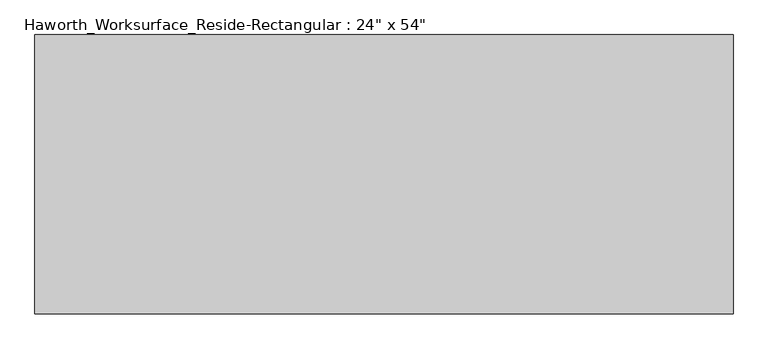
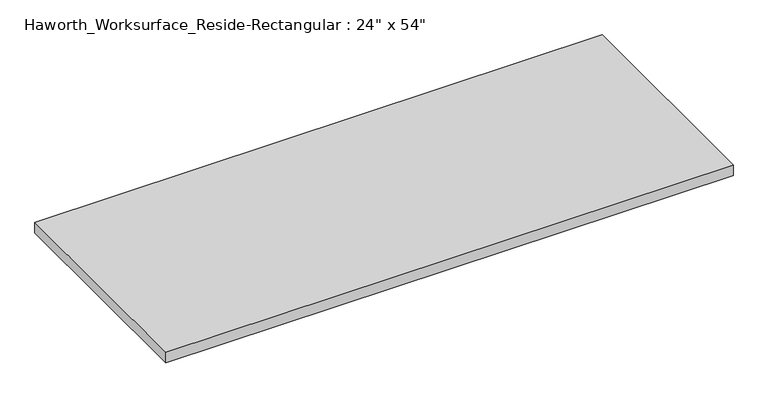
"""IFC4 building model written with IfcOpenShell, lengths in millimetres: furniture geometry."""

from ifc_helpers import new_model, si_unit, frame, origin, place, context, project, spatial, polyline, outline, extrude, source, transform, mapped, element, save


def furniture_a4debbff(model_context):
    return source(origin(), model_context, "Body", "SweptSolid", [
        extrude(outline(polyline([(762.0, 304.8), (762.0, -304.8), (-762.0, -304.8), (-762.0, 304.8), (762.0, 304.8)])), frame((0.0, 0.0, 706.4375), z_axis=(0.0, 0.0, 1.0), x_axis=(1.0, 0.0, 0.0)), (0.0, 0.0, 1.0), 30.1625),
    ])


if __name__ == "__main__":
    model = new_model("IFC4")
    model_context = context("Model", 3, world=origin())
    ifc_project = project(units=[si_unit("LENGTHUNIT", "METRE", prefix="MILLI")], contexts=[model_context])
    site = spatial("IfcSite", under=ifc_project)
    building = spatial("IfcBuilding", under=site)
    placement = place(None, origin())
    furniture_shape = furniture_a4debbff(model_context)
    element("IfcFurniture", 1, ObjectType="Haworth_Worksurface_Reside-Rectangular : 24\" x 54\"", at=placement, inside=building, context=model_context, shape_type="MappedRepresentation", body=[
        mapped(furniture_shape, transform((0.0, 0.0, 0.0), x_axis=(1.0, 0.0, 0.0), y_axis=(0.0, 1.0, 0.0), z_axis=(0.0, 0.0, 1.0))),
    ])
    save(model, "model.ifc")
